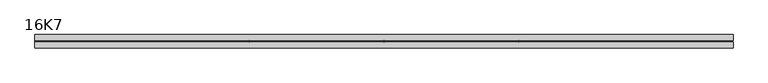
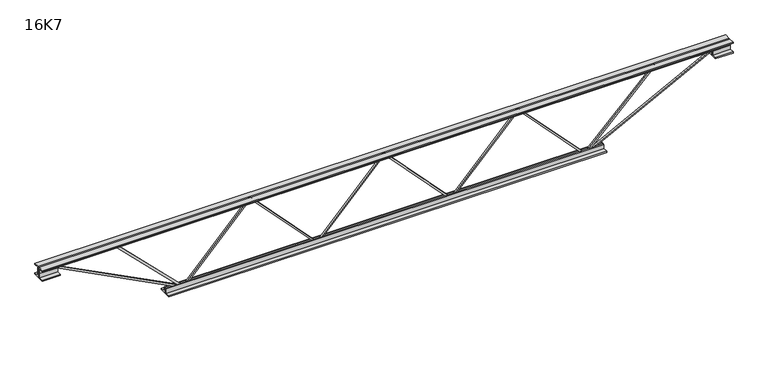
"""IFC4 building model written with IfcOpenShell, lengths in millimetres: beam geometry, 16K7."""

from ifc_helpers import new_model, si_unit, frame, origin, place, context, project, spatial, polyline, outline, extrude, source, transform, mapped, element, save


def beam_16k7_07082f26(model_context):
    return source(origin(), model_context, "Body", "SweptSolid", [
        extrude(outline(polyline([(-191.9, -377.0), (-201.4, -377.0), (-201.4, -371.7744976), (191.9, -1.1244976), (191.9, 1.1244976), (-201.4, 371.7744976), (-201.4, 377.0), (-191.9, 377.0), (-191.9, 375.8755024), (201.4, 5.2255024), (201.4, -5.2255024), (-191.9, -375.8755024), (-191.9, -377.0)])), frame((0.0, -4.75, 0.0), z_axis=(0.0, 1.0, 0.0), x_axis=(0.0, 0.0, 1.0)), (0.0, 0.0, 1.0), 9.5),
        extrude(outline(polyline([(-191.9, 377.0), (-201.4, 377.0), (-201.4, 382.2255024), (191.9, 752.8755024), (191.9, 755.1244976), (-201.4, 1125.7744976), (-201.4, 1131.0), (-191.9, 1131.0), (-191.9, 1129.8755024), (201.4, 759.2255024), (201.4, 748.7744976), (-191.9, 378.1244976), (-191.9, 377.0)])), frame((0.0, -4.75, 0.0), z_axis=(0.0, 1.0, 0.0), x_axis=(0.0, 0.0, 1.0)), (0.0, 0.0, 1.0), 9.5),
        extrude(outline(polyline([(-191.9, -1131.0), (-201.4, -1131.0), (-201.4, -1125.7744976), (191.9, -755.1244976), (191.9, -752.8755024), (-201.4, -382.2255024), (-201.4, -377.0), (-191.9, -377.0), (-191.9, -378.1244976), (201.4, -748.7744976), (201.4, -759.2255024), (-191.9, -1129.8755024), (-191.9, -1131.0)])), frame((0.0, -4.75, 0.0), z_axis=(0.0, 1.0, 0.0), x_axis=(0.0, 0.0, 1.0)), (0.0, 0.0, 1.0), 9.5),
        extrude(outline(polyline([(4.75, 203.0), (36.75, 203.0), (36.75, 196.5), (11.25, 196.5), (11.25, 171.0), (4.75, 171.0), (4.75, 203.0)])), frame((-1943.0, 0.0, 0.0), z_axis=(1.0, 0.0, 0.0), x_axis=(0.0, 1.0, 0.0)), (0.0, 0.0, 1.0), 3886.0),
        extrude(outline(polyline([(-4.75, 203.0), (-4.75, 171.0), (-11.25, 171.0), (-11.25, 196.5), (-36.75, 196.5), (-36.75, 203.0), (-4.75, 203.0)])), frame((-1943.0, 0.0, 0.0), z_axis=(1.0, 0.0, 0.0), x_axis=(0.0, 1.0, 0.0)), (0.0, 0.0, 1.0), 3886.0),
        extrude(outline(polyline([(-4.75, 139.5), (-36.75, 139.5), (-36.75, 146.0), (-11.25, 146.0), (-11.25, 171.0), (-4.75, 171.0), (-4.75, 139.5)])), frame((-1943.0, 0.0, 0.0), z_axis=(1.0, 0.0, 0.0), x_axis=(0.0, 1.0, 0.0)), (0.0, 0.0, 1.0), 100.0),
        extrude(outline(polyline([(36.75, 139.5), (4.75, 139.5), (4.75, 171.0), (11.25, 171.0), (11.25, 146.0), (36.75, 146.0), (36.75, 139.5)])), frame((-1943.0, 0.0, 0.0), z_axis=(1.0, 0.0, 0.0), x_axis=(0.0, 1.0, 0.0)), (0.0, 0.0, 1.0), 100.0),
        extrude(outline(polyline([(4.75, 139.5), (4.75, 171.0), (11.25, 171.0), (11.25, 146.0), (36.75, 146.0), (36.75, 139.5), (4.75, 139.5)])), frame((1843.0, 0.0, 0.0), z_axis=(1.0, 0.0, 0.0), x_axis=(0.0, 1.0, 0.0)), (0.0, 0.0, 1.0), 100.0),
        extrude(outline(polyline([(-4.75, 139.5), (-36.75, 139.5), (-36.75, 146.0), (-11.25, 146.0), (-11.25, 171.0), (-4.75, 171.0), (-4.75, 139.5)])), frame((1843.0, 0.0, 0.0), z_axis=(1.0, 0.0, 0.0), x_axis=(0.0, 1.0, 0.0)), (0.0, 0.0, 1.0), 100.0),
        extrude(outline(polyline([(4.75, -203.0), (4.75, -171.0), (11.25, -171.0), (11.25, -196.5), (36.75, -196.5), (36.75, -203.0), (4.75, -203.0)])), frame((-1231.0, 0.0, 0.0), z_axis=(1.0, 0.0, 0.0), x_axis=(0.0, 1.0, 0.0)), (0.0, 0.0, 1.0), 2462.0),
        extrude(outline(polyline([(-4.75, -203.0), (-36.75, -203.0), (-36.75, -196.5), (-11.25, -196.5), (-11.25, -171.0), (-4.75, -171.0), (-4.75, -203.0)])), frame((-1231.0, 0.0, 0.0), z_axis=(1.0, 0.0, 0.0), x_axis=(0.0, 1.0, 0.0)), (0.0, 0.0, 1.0), 2462.0),
        extrude(outline(polyline([(-200.8705467, -1133.1793315), (-192.4294533, -1128.8206685), (175.75, -1841.8460208), (175.75, -1943.0), (166.25, -1943.0), (166.25, -1844.1539792), (-200.8705467, -1133.1793315)])), frame((0.0, -4.75, 0.0), z_axis=(0.0, 1.0, 0.0), x_axis=(0.0, 0.0, 1.0)), (0.0, 0.0, 1.0), 9.5),
        extrude(outline(polyline([(188.7, -1527.9571429), (179.2, -1527.9571429), (179.2, -1517.2113661), (-200.0247784, -1134.3426592), (-193.2752216, -1127.6573408), (188.7, -1513.3029196), (188.7, -1527.9571429)])), frame((0.0, -4.75, 0.0), z_axis=(0.0, 1.0, 0.0), x_axis=(0.0, 0.0, 1.0)), (0.0, 0.0, 1.0), 9.5),
        extrude(outline(polyline([(0.0, -9.5), (0.0, 0.0), (801.3179909, 0.0), (801.3179909, -9.5), (0.0, -9.5)])), frame((1845.1793315, -4.75, 166.7794533), z_axis=(-0.45880662132449557, 0.0, 0.8885361468329811), x_axis=(-0.8885361468329811, 0.0, -0.45880662132449557)), (0.0, 0.0, 1.0), 9.5),
        extrude(outline(polyline([(4.75, 4.75), (4.75, -4.75), (-4.75, -4.75), (-4.75, 4.75), (4.75, 4.75)])), frame((1131.0, 0.0, -196.65), z_axis=(0.705496051169181, 0.0, 0.7087138504253266), x_axis=(0.0, -1.0, 0.0)), (0.0, 0.0, 1.0), 554.9489399),
    ])


if __name__ == "__main__":
    model = new_model("IFC4")
    model_context = context("Model", 3, world=origin())
    ifc_project = project(units=[si_unit("LENGTHUNIT", "METRE", prefix="MILLI")], contexts=[model_context])
    site = spatial("IfcSite", under=ifc_project)
    building = spatial("IfcBuilding", under=site)
    placement = place(None, origin())
    beam_16k7_shape = beam_16k7_07082f26(model_context)
    element("IfcBeam", 1, ObjectType="16K7", at=placement, inside=building, context=model_context, shape_type="MappedRepresentation", body=[
        mapped(beam_16k7_shape, transform((0.0, 0.0, 0.0), x_axis=(1.0, 0.0, 0.0), y_axis=(0.0, 1.0, 0.0), z_axis=(0.0, 0.0, 1.0))),
    ])
    save(model, "model.ifc")
